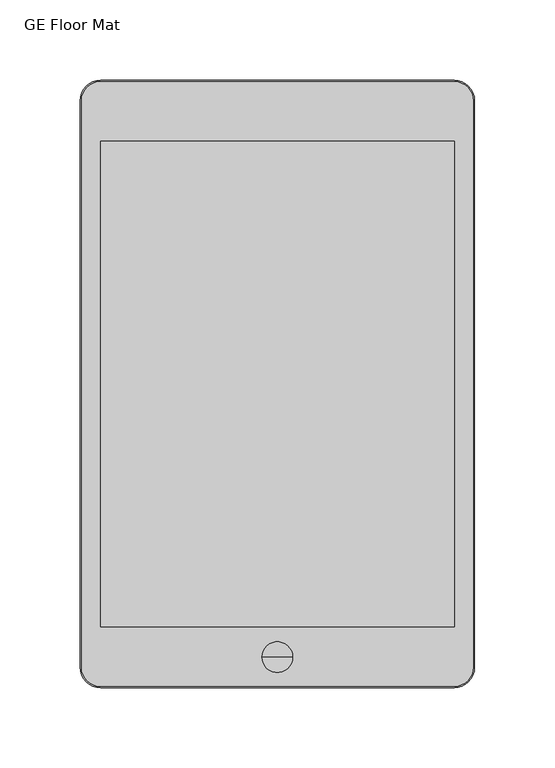
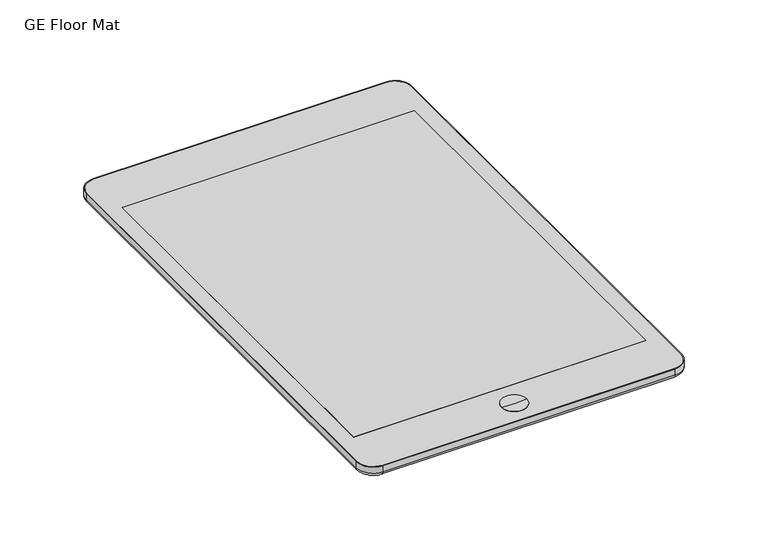
"""IFC4 building model written with IfcOpenShell, lengths in millimetres: furniture geometry, GE Floor Mat."""

from ifc_helpers import new_model, si_unit, point, frame, frame_2d, origin, origin_with_axes, place, context, project, spatial, polyline, circle_curve, ellipse_curve, trimmed, segment, composite_curve, outline, extrude, source, transform, mapped, element, save
from ifc_brep_helpers import plane_surface, cylinder_surface, revolved_surface, advanced_brep


def ge_floor_mat_c3321211(model_context):
    return source(origin(), model_context, "Body", "SolidModel", [
        extrude(outline(polyline([(110.236, 252.73), (110.236, -49.53), (-110.236, -49.53), (-110.236, 252.73), (110.236, 252.73)])), origin_with_axes(), (0.0, 0.0, 1.0), 1.4975605),
        advanced_brep(
        [(9.525, -68.58, 0.0), (-9.525, -68.58, 0.0), (0.0, -68.58, 0.0), (9.525, -68.58, 1.4975605), (-9.525, -68.58, 1.4975605), (0.0, -68.58, 0.8592023)],
        [
            (0, 1, circle_curve(frame((0.0, -68.58, 0.0), z_axis=(0.0, 0.0, -1.0), x_axis=(-1.0, 0.0, 0.0)), 9.525)),
            (1, 2),
            (2, 0),
            (1, 0, circle_curve(frame((0.0, -68.58, 0.0), z_axis=(0.0, 0.0, -1.0), x_axis=(-1.0, 0.0, 0.0)), 9.525)),
            (3, 4, circle_curve(frame((0.0, -68.58, 1.4975605), z_axis=(0.0, 0.0, -1.0), x_axis=(-1.0, 0.0, 0.0)), 9.525)),
            (4, 1),
            (0, 3),
            (4, 3, circle_curve(frame((0.0, -68.58, 1.4975605), z_axis=(0.0, 0.0, -1.0), x_axis=(-1.0, 0.0, 0.0)), 9.525)),
            (5, 4, circle_curve(frame((-0.280402, -68.58, 68.0561733), z_axis=(0.0, 1.0, 0.0), x_axis=(-1.0, 0.0, 0.0)), 67.197556)),
            (3, 5, circle_curve(frame((0.280402, -68.58, 68.0561733), z_axis=(0.0, 1.0, 0.0), x_axis=(1.0, 0.0, 0.0)), 67.197556)),
        ],
        [
            plane_surface(frame((0.0, -68.58, 0.0), z_axis=(0.0, 0.0, -1.0), x_axis=(-1.0, 0.0, 0.0))),
            cylinder_surface(frame((0.0, -68.58, 8.4882706), z_axis=(0.0, 0.0, 1.0), x_axis=(-1.0, 0.0, 0.0)), 9.525),
            revolved_surface(trimmed(ellipse_curve(frame((-0.280402, -68.58, 68.0561733), z_axis=(0.0, -1.0, 0.0), x_axis=(-1.0, 0.0, 0.0)), 67.197556, 67.197556), [point((-9.525, -68.58, 1.4975605))], [point((0.0, -68.58, 0.8592023))], True, "CARTESIAN"), (0.0, -68.58, 8.4882706), (0.0, 0.0, 1.0)),
        ],
        [
            (0, [[1, 2, 3]]),
            (0, [[4, -3, -2]]),
            (1, [[5, 6, -1, 7]]),
            (1, [[8, -7, -4, -6]]),
            (2, [[9, -5, 10]]),
            (2, [[-10, -8, -9]]),
        ],
    ),
        extrude(outline(composite_curve([segment(trimmed(circle_curve(frame_2d((110.236, 278.13)), 11.871537), [point((110.236, 290.001537))], [point((122.107537, 278.13))], False, "CARTESIAN"), True, "CONTINUOUS"), segment(polyline([(122.107537, 278.13), (122.107537, -74.93)]), True, "CONTINUOUS"), segment(trimmed(circle_curve(frame_2d((110.236, -74.93)), 11.871537), [point((122.107537, -74.93))], [point((110.236, -86.801537))], False, "CARTESIAN"), True, "CONTINUOUS"), segment(polyline([(110.236, -86.801537), (-110.236, -86.801537)]), True, "CONTINUOUS"), segment(trimmed(circle_curve(frame_2d((-110.236, -74.93)), 11.871537), [point((-110.236, -86.801537))], [point((-122.107537, -74.93))], False, "CARTESIAN"), True, "CONTINUOUS"), segment(polyline([(-122.107537, -74.93), (-122.107537, 278.13)]), True, "CONTINUOUS"), segment(trimmed(circle_curve(frame_2d((-110.236, 278.13)), 11.871537), [point((-122.107537, 278.13))], [point((-110.236, 290.001537))], False, "CARTESIAN"), True, "CONTINUOUS"), segment(polyline([(-110.236, 290.001537), (110.236, 290.001537)]), True, "CONTINUOUS")], self_intersect=False), holes=[polyline([(-110.236, 252.73), (-110.236, -49.53), (110.236, -49.53), (110.236, 252.73), (-110.236, 252.73)]), composite_curve([segment(trimmed(circle_curve(frame_2d((0.0, -68.58)), 9.525), [point((-9.525, -68.58))], [point((9.525, -68.58))], True, "CARTESIAN"), True, "CONTINUOUS"), segment(trimmed(circle_curve(frame_2d((0.0, -68.58)), 9.525), [point((9.525, -68.58))], [point((-9.525, -68.58))], True, "CARTESIAN"), True, "CONTINUOUS")], self_intersect=False)]), origin_with_axes(), (0.0, 0.0, 1.0), 1.4975605),
        advanced_brep(
        [(-110.236, -87.63, 1.4975605), (-122.936, -74.93, 1.4975605), (-122.936, -74.93, -3.175), (-110.236, -87.63, -3.175), (-119.761, -74.93, -6.35), (-110.236, -84.455, -6.35), (110.236, -87.63, -3.175), (110.236, -87.63, 1.4975605), (110.236, -84.455, -6.35), (122.936, -74.93, -3.175), (122.936, -74.93, 1.4975605), (119.761, -74.93, -6.35), (122.936, 278.13, -3.175), (122.936, 278.13, 1.4975605), (119.761, 278.13, -6.35), (110.236, 290.83, -3.175), (110.236, 290.83, 1.4975605), (110.236, 287.655, -6.35), (-110.236, 290.83, -3.175), (-110.236, 290.83, 1.4975605), (-110.236, 287.655, -6.35), (-122.936, 278.13, -3.175), (-122.936, 278.13, 1.4975605), (-119.761, 278.13, -6.35), (110.236, 290.001537, 0.0), (-110.236, 290.001537, 0.0), (-122.107537, 278.13, 0.0), (-122.107537, -74.93, 0.0), (-110.236, -86.801537, 0.0), (110.236, -86.801537, 0.0), (122.107537, -74.93, 0.0), (122.107537, 278.13, 0.0), (-122.107537, -74.93, 1.4975605), (-110.236, -86.801537, 1.4975605), (110.236, -86.801537, 1.4975605), (122.107537, -74.93, 1.4975605), (122.107537, 278.13, 1.4975605), (110.236, 290.001537, 1.4975605), (-110.236, 290.001537, 1.4975605), (-122.107537, 278.13, 1.4975605)],
        [
            (0, 1, circle_curve(frame((-110.236, -74.93, 1.4975605), z_axis=(0.0, 0.0, -1.0), x_axis=(-1.0, 0.0, 0.0)), 12.7)),
            (1, 2),
            (2, 3, circle_curve(frame((-110.236, -74.93, -3.175), z_axis=(0.0, 0.0, 1.0), x_axis=(-1.0, 0.0, 0.0)), 12.7)),
            (3, 0),
            (2, 4, circle_curve(frame((-119.761, -74.93, -3.175), z_axis=(0.0, -1.0, 0.0), x_axis=(-1.0, 0.0, 0.0)), 3.175)),
            (4, 5, circle_curve(frame((-110.236, -74.93, -6.35), z_axis=(0.0, 0.0, 1.0), x_axis=(-1.0, 0.0, 0.0)), 9.525)),
            (5, 3, circle_curve(frame((-110.236, -84.455, -3.175), z_axis=(-1.0, 0.0, 0.0), x_axis=(0.0, -1.0, 0.0)), 3.175)),
            (3, 6),
            (6, 7),
            (7, 0),
            (5, 8),
            (8, 6, circle_curve(frame((110.236, -84.455, -3.175), z_axis=(-1.0, 0.0, 0.0), x_axis=(0.0, -1.0, 0.0)), 3.175)),
            (6, 9, circle_curve(frame((110.236, -74.93, -3.175), z_axis=(0.0, 0.0, 1.0), x_axis=(0.0, -1.0, 0.0)), 12.7)),
            (9, 10),
            (10, 7, circle_curve(frame((110.236, -74.93, 1.4975605), z_axis=(0.0, 0.0, -1.0), x_axis=(0.0, -1.0, 0.0)), 12.7)),
            (8, 11, circle_curve(frame((110.236, -74.93, -6.35), z_axis=(0.0, 0.0, 1.0), x_axis=(0.0, -1.0, 0.0)), 9.525)),
            (11, 9, circle_curve(frame((119.761, -74.93, -3.175), z_axis=(0.0, -1.0, 0.0), x_axis=(1.0, 0.0, 0.0)), 3.175)),
            (9, 12),
            (12, 13),
            (13, 10),
            (11, 14),
            (14, 12, circle_curve(frame((119.761, 278.13, -3.175), z_axis=(0.0, -1.0, 0.0), x_axis=(1.0, 0.0, 0.0)), 3.175)),
            (12, 15, circle_curve(frame((110.236, 278.13, -3.175), z_axis=(0.0, 0.0, 1.0), x_axis=(1.0, 0.0, 0.0)), 12.7)),
            (15, 16),
            (16, 13, circle_curve(frame((110.236, 278.13, 1.4975605), z_axis=(0.0, 0.0, -1.0), x_axis=(1.0, 0.0, 0.0)), 12.7)),
            (14, 17, circle_curve(frame((110.236, 278.13, -6.35), z_axis=(0.0, 0.0, 1.0), x_axis=(1.0, 0.0, 0.0)), 9.525)),
            (17, 15, circle_curve(frame((110.236, 287.655, -3.175), z_axis=(1.0, 0.0, 0.0), x_axis=(0.0, 1.0, 0.0)), 3.175)),
            (15, 18),
            (18, 19),
            (19, 16),
            (17, 20),
            (20, 18, circle_curve(frame((-110.236, 287.655, -3.175), z_axis=(1.0, 0.0, 0.0), x_axis=(0.0, 1.0, 0.0)), 3.175)),
            (18, 21, circle_curve(frame((-110.236, 278.13, -3.175), z_axis=(0.0, 0.0, 1.0), x_axis=(0.0, 1.0, 0.0)), 12.7)),
            (21, 22),
            (22, 19, circle_curve(frame((-110.236, 278.13, 1.4975605), z_axis=(0.0, 0.0, -1.0), x_axis=(0.0, 1.0, 0.0)), 12.7)),
            (20, 23, circle_curve(frame((-110.236, 278.13, -6.35), z_axis=(0.0, 0.0, 1.0), x_axis=(0.0, 1.0, 0.0)), 9.525)),
            (23, 21, circle_curve(frame((-119.761, 278.13, -3.175), z_axis=(0.0, 1.0, 0.0), x_axis=(-1.0, 0.0, 0.0)), 3.175)),
            (1, 22),
            (21, 2),
            (24, 25),
            (25, 26, circle_curve(frame((-110.236, 278.13, 0.0), z_axis=(0.0, 0.0, 1.0), x_axis=(0.0, 1.0, 0.0)), 11.871537)),
            (26, 27),
            (27, 28, circle_curve(frame((-110.236, -74.93, 0.0), z_axis=(0.0, 0.0, 1.0), x_axis=(-1.0, 0.0, 0.0)), 11.871537)),
            (28, 29),
            (29, 30, circle_curve(frame((110.236, -74.93, 0.0), z_axis=(0.0, 0.0, 1.0), x_axis=(0.0, -1.0, 0.0)), 11.871537)),
            (30, 31),
            (31, 24, circle_curve(frame((110.236, 278.13, 0.0), z_axis=(0.0, 0.0, 1.0), x_axis=(1.0, 0.0, 0.0)), 11.871537)),
            (4, 23),
            (27, 32),
            (32, 33, circle_curve(frame((-110.236, -74.93, 1.4975605), z_axis=(0.0, 0.0, 1.0), x_axis=(-1.0, 0.0, 0.0)), 11.871537)),
            (33, 28),
            (33, 34),
            (34, 29),
            (34, 35, circle_curve(frame((110.236, -74.93, 1.4975605), z_axis=(0.0, 0.0, 1.0), x_axis=(0.0, -1.0, 0.0)), 11.871537)),
            (35, 30),
            (35, 36),
            (36, 31),
            (36, 37, circle_curve(frame((110.236, 278.13, 1.4975605), z_axis=(0.0, 0.0, 1.0), x_axis=(1.0, 0.0, 0.0)), 11.871537)),
            (37, 24),
            (37, 38),
            (38, 25),
            (38, 39, circle_curve(frame((-110.236, 278.13, 1.4975605), z_axis=(0.0, 0.0, 1.0), x_axis=(0.0, 1.0, 0.0)), 11.871537)),
            (39, 26),
            (32, 39),
        ],
        [
            cylinder_surface(frame((-110.236, -74.93, 0.0), z_axis=(0.0, 0.0, 1.0), x_axis=(-1.0, 0.0, 0.0)), 12.7),
            revolved_surface(trimmed(ellipse_curve(frame((-119.761, -74.93, -3.175), z_axis=(0.0, 1.0, 0.0), x_axis=(-1.0, 0.0, 0.0)), 3.175, 3.175), [point((-119.761, -74.93, -6.35))], [point((-122.936, -74.93, -3.175))], True, "CARTESIAN"), (-110.236, -74.93, 0.0), (0.0, 0.0, 1.0)),
            plane_surface(frame((-110.236, -87.63, -3.175), z_axis=(0.0, -1.0, 0.0), x_axis=(1.0, 0.0, 0.0))),
            cylinder_surface(frame((-110.236, -84.455, -3.175), z_axis=(-1.0, 0.0, 0.0), x_axis=(0.0, -1.0, 0.0)), 3.175),
            cylinder_surface(frame((110.236, -74.93, 0.0), z_axis=(0.0, 0.0, 1.0), x_axis=(0.0, -1.0, 0.0)), 12.7),
            revolved_surface(trimmed(ellipse_curve(frame((110.236, -84.455, -3.175), z_axis=(-1.0, 0.0, 0.0), x_axis=(0.0, -1.0, 0.0)), 3.175, 3.175), [point((110.236, -84.455, -6.35))], [point((110.236, -87.63, -3.175))], True, "CARTESIAN"), (110.236, -74.93, 0.0), (0.0, 0.0, 1.0)),
            plane_surface(frame((122.936, -74.93, -3.175), z_axis=(1.0, 0.0, 0.0), x_axis=(0.0, 1.0, 0.0))),
            cylinder_surface(frame((119.761, -74.93, -3.175), z_axis=(0.0, -1.0, 0.0), x_axis=(1.0, 0.0, 0.0)), 3.175),
            cylinder_surface(frame((110.236, 278.13, 0.0), z_axis=(0.0, 0.0, 1.0), x_axis=(1.0, 0.0, 0.0)), 12.7),
            revolved_surface(trimmed(ellipse_curve(frame((119.761, 278.13, -3.175), z_axis=(0.0, -1.0, 0.0), x_axis=(1.0, 0.0, 0.0)), 3.175, 3.175), [point((119.761, 278.13, -6.35))], [point((122.936, 278.13, -3.175))], True, "CARTESIAN"), (110.236, 278.13, 0.0), (0.0, 0.0, 1.0)),
            plane_surface(frame((110.236, 290.83, -3.175), z_axis=(0.0, 1.0, 0.0), x_axis=(-1.0, 0.0, 0.0))),
            cylinder_surface(frame((110.236, 287.655, -3.175), z_axis=(1.0, 0.0, 0.0), x_axis=(0.0, 1.0, 0.0)), 3.175),
            cylinder_surface(frame((-110.236, 278.13, 0.0), z_axis=(0.0, 0.0, 1.0), x_axis=(0.0, 1.0, 0.0)), 12.7),
            revolved_surface(trimmed(ellipse_curve(frame((-110.236, 287.655, -3.175), z_axis=(1.0, 0.0, 0.0), x_axis=(0.0, 1.0, 0.0)), 3.175, 3.175), [point((-110.236, 287.655, -6.35))], [point((-110.236, 290.83, -3.175))], True, "CARTESIAN"), (-110.236, 278.13, 0.0), (0.0, 0.0, 1.0)),
            plane_surface(frame((-122.936, 278.13, -3.175), z_axis=(-1.0, 0.0, 0.0), x_axis=(0.0, -1.0, 0.0))),
            plane_surface(frame((-122.107537, 278.13, 0.0), z_axis=(0.0, 0.0, 1.0), x_axis=(0.0, -1.0, 0.0))),
            plane_surface(frame((-113.807875, 278.13, -6.35), z_axis=(0.0, 0.0, -1.0), x_axis=(0.0, -1.0, 0.0))),
            cylinder_surface(frame((-119.761, 278.13, -3.175), z_axis=(0.0, 1.0, 0.0), x_axis=(-1.0, 0.0, 0.0)), 3.175),
            revolved_surface(polyline([(-122.10753700000001, -74.93, 1.4975605), (-122.10753700000001, -74.93, 0.0)]), (-110.236, -74.93, 0.0), (0.0, 0.0, 1.0)),
            plane_surface(frame((-110.236, -86.801537, 1.4975605), z_axis=(0.0, 1.0, 0.0), x_axis=(1.0, 0.0, 0.0))),
            revolved_surface(polyline([(110.236, -86.80153700000001, 1.4975605), (110.236, -86.80153700000001, 0.0)]), (110.236, -74.93, 0.0), (0.0, 0.0, 1.0)),
            plane_surface(frame((122.107537, -74.93, 1.4975605), z_axis=(-1.0, 0.0, 0.0), x_axis=(0.0, 1.0, 0.0))),
            revolved_surface(polyline([(122.10753700000001, 278.13, 1.4975605), (122.10753700000001, 278.13, 0.0)]), (110.236, 278.13, 0.0), (0.0, 0.0, 1.0)),
            plane_surface(frame((110.236, 290.001537, 1.4975605), z_axis=(0.0, -1.0, 0.0), x_axis=(-1.0, 0.0, 0.0))),
            revolved_surface(polyline([(-110.236, 290.001537, 1.4975605), (-110.236, 290.001537, 0.0)]), (-110.236, 278.13, 0.0), (0.0, 0.0, 1.0)),
            plane_surface(frame((-122.936, 278.13, 1.4975605), z_axis=(0.0, 0.0, 1.0), x_axis=(0.0, -1.0, 0.0))),
            plane_surface(frame((-122.107537, 278.13, 1.4975605), z_axis=(1.0, 0.0, 0.0), x_axis=(0.0, -1.0, 0.0))),
        ],
        [
            (0, [[1, 2, 3, 4]]),
            (1, [[-3, 5, 6, 7]]),
            (2, [[-4, 8, 9, 10]]),
            (3, [[-7, 11, 12, -8]]),
            (4, [[-9, 13, 14, 15]]),
            (5, [[-12, 16, 17, -13]]),
            (6, [[-14, 18, 19, 20]]),
            (7, [[-17, 21, 22, -18]]),
            (8, [[-19, 23, 24, 25]]),
            (9, [[-22, 26, 27, -23]]),
            (10, [[-24, 28, 29, 30]]),
            (11, [[-27, 31, 32, -28]]),
            (12, [[-29, 33, 34, 35]]),
            (13, [[-32, 36, 37, -33]]),
            (14, [[-2, 38, -34, 39]]),
            (15, [[40, 41, 42, 43, 44, 45, 46, 47]]),
            (16, [[-6, 48, -36, -31, -26, -21, -16, -11]]),
            (17, [[-5, -39, -37, -48]]),
            (18, [[-43, 49, 50, 51]]),
            (19, [[-44, -51, 52, 53]]),
            (20, [[-45, -53, 54, 55]]),
            (21, [[-46, -55, 56, 57]]),
            (22, [[-47, -57, 58, 59]]),
            (23, [[-40, -59, 60, 61]]),
            (24, [[-41, -61, 62, 63]]),
            (25, [[-1, -10, -15, -20, -25, -30, -35, -38], [-50, 64, -62, -60, -58, -56, -54, -52]]),
            (26, [[-42, -63, -64, -49]]),
        ],
    ),
    ])


if __name__ == "__main__":
    model = new_model("IFC4")
    model_context = context("Model", 3, world=origin())
    ifc_project = project(units=[si_unit("LENGTHUNIT", "METRE", prefix="MILLI")], contexts=[model_context])
    site = spatial("IfcSite", under=ifc_project)
    building = spatial("IfcBuilding", under=site)
    placement = place(None, origin())
    ge_floor_mat_shape = ge_floor_mat_c3321211(model_context)
    element("IfcFurniture", 1, ObjectType="GE Floor Mat", at=placement, inside=building, context=model_context, shape_type="MappedRepresentation", body=[
        mapped(ge_floor_mat_shape, transform((0.0, 0.0, 0.0), x_axis=(1.0, 0.0, 0.0), y_axis=(0.0, 1.0, 0.0), z_axis=(0.0, 0.0, 1.0))),
    ])
    save(model, "model.ifc")
